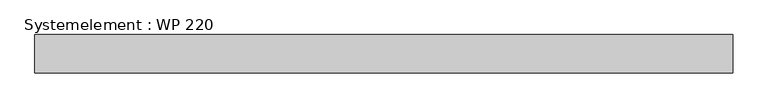
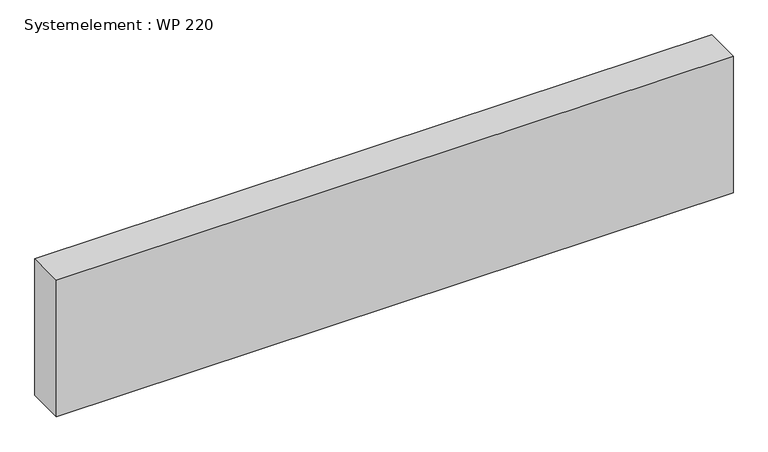
"""IFC4 building model written with IfcOpenShell, lengths in millimetres: plate geometry, Systemelement : WP 220."""

from ifc_helpers import new_model, si_unit, origin, origin_with_axes, place, context, project, spatial, polyline, outline, extrude, source, transform, mapped, element, save


def systemelement_wp_220_16bfcfe9(model_context):
    return source(origin(), model_context, "Body", "SweptSolid", [
        extrude(outline(polyline([(2000.0, -220.0), (-2000.0, -220.0), (-2000.0, 0.0), (2000.0, 0.0), (2000.0, -220.0)])), origin_with_axes(), (0.0, 0.0, 1.0), 851.6147161),
    ])


if __name__ == "__main__":
    model = new_model("IFC4")
    model_context = context("Model", 3, world=origin())
    ifc_project = project(units=[si_unit("LENGTHUNIT", "METRE", prefix="MILLI")], contexts=[model_context])
    site = spatial("IfcSite", under=ifc_project)
    building = spatial("IfcBuilding", under=site)
    placement = place(None, origin())
    systemelement_wp_220_shape = systemelement_wp_220_16bfcfe9(model_context)
    element("IfcPlate", 1, ObjectType="Systemelement : WP 220", at=placement, inside=building, context=model_context, shape_type="MappedRepresentation", body=[
        mapped(systemelement_wp_220_shape, transform((0.0, 0.0, 0.0), x_axis=(1.0, 0.0, 0.0), y_axis=(0.0, 1.0, 0.0), z_axis=(0.0, 0.0, 1.0))),
    ])
    save(model, "model.ifc")
